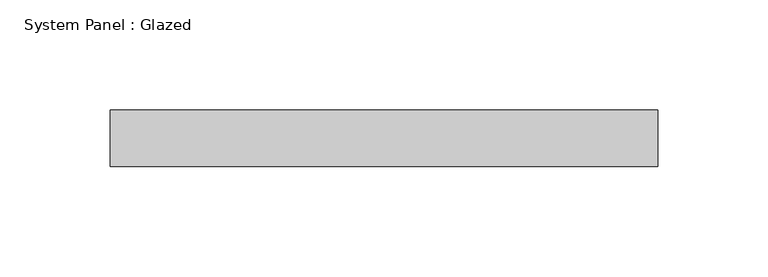
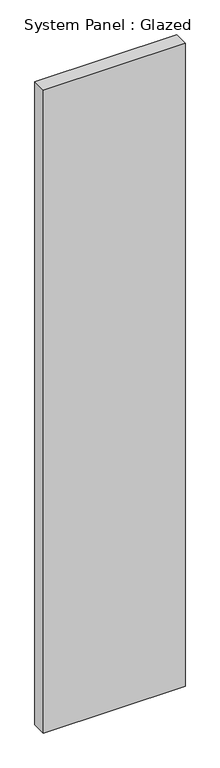
"""IFC4 building model written with IfcOpenShell, lengths in millimetres: plate geometry, System Panel : Glazed."""

import ifcopenshell
import ifcopenshell.guid

model = None  # the IFC model being written
_history = None  # IfcOwnerHistory: only IFC2X3 demands one
_inside = {}  # id of a spatial element -> (the spatial element, [elements in it])
_under = {}  # id of a project, library or spatial element -> (it, [spatial elements below it])
_declared = {}  # id of a project -> (the project, [libraries it declares])
_typed = {}  # id of a type object -> (the type object, [elements of that type])
_made_of = {}  # id of a material, layer set ... -> (it, [elements and type objects made of it])


def new_model(schema):
    """Start an empty IFC model of exactly this schema.

    Asked for "IFC4X3", IfcOpenShell would pick the latest addendum, in which some entities
    have other attributes; the version numbers below select the first issue.
    IFC2X3 requires an IfcOwnerHistory on every rooted entity: one is made here for all.
    """
    global model, _history
    if schema == "IFC4X3":
        model = ifcopenshell.file(schema_version=(4, 3, 0, 0))
    else:
        model = ifcopenshell.file(schema=schema)
    _inside.clear()
    _under.clear()
    _declared.clear()
    _typed.clear()
    _made_of.clear()
    _history = None
    if model.schema == "IFC2X3":
        org = make("IfcOrganization", Name="unknown")
        user = make(
            "IfcPersonAndOrganization",
            ThePerson=make("IfcPerson", FamilyName="unknown"),
            TheOrganization=org,
        )
        app = make(
            "IfcApplication",
            ApplicationDeveloper=org,
            Version="unknown",
            ApplicationFullName="unknown",
            ApplicationIdentifier="unknown",
        )
        _history = make(
            "IfcOwnerHistory",
            OwningUser=user,
            OwningApplication=app,
            ChangeAction="ADDED",
            CreationDate=0,
        )
    return model


def make(cls, **values):
    """One entity of the class cls with the attributes given. An attribute that is None is left unset."""
    return model.create_entity(
        cls, **{name: value for name, value in values.items() if value is not None}
    )


def rooted(cls, **values):
    """An entity with a GlobalId (a new one), such as an element, a storey or a relation."""
    return make(cls, GlobalId=ifcopenshell.guid.new(), OwnerHistory=_history, **values)


def si_unit(unit_type, name, prefix=None):
    """IfcSIUnit, for example si_unit("LENGTHUNIT", "METRE", prefix="MILLI")."""
    return make("IfcSIUnit", UnitType=unit_type, Prefix=prefix, Name=name)


def assignment(units):
    """IfcUnitAssignment: the units of a project."""
    return None if units is None else make("IfcUnitAssignment", Units=units)


def point(xyz):
    """IfcCartesianPoint."""
    return None if xyz is None else make("IfcCartesianPoint", Coordinates=xyz)


def direction(xyz):
    """IfcDirection."""
    return None if xyz is None else make("IfcDirection", DirectionRatios=xyz)


def frame(location, z_axis=None, x_axis=None):
    """IfcAxis2Placement3D, a coordinate frame: its origin and axes. An axis left out is left unset."""
    return make(
        "IfcAxis2Placement3D",
        Location=point(location),
        Axis=direction(z_axis),
        RefDirection=direction(x_axis),
    )


def origin():
    """The frame at (0, 0, 0) with its axes left unset."""
    return frame((0.0, 0.0, 0.0))


def origin_with_axes():
    """The frame at (0, 0, 0) with the z axis (0, 0, 1) and the x axis (1, 0, 0) written out."""
    return frame((0.0, 0.0, 0.0), z_axis=(0.0, 0.0, 1.0), x_axis=(1.0, 0.0, 0.0))


def place(relative_to, where):
    """IfcLocalPlacement: puts the frame where relative to a parent placement (None: the world)."""
    return make(
        "IfcLocalPlacement", PlacementRelTo=relative_to, RelativePlacement=where
    )


def context(
    kind, dimensions, precision=None, world=None, true_north=None, identifier=None
):
    """IfcGeometricRepresentationContext, for example the 3D "Model" context."""
    return make(
        "IfcGeometricRepresentationContext",
        ContextIdentifier=identifier,
        ContextType=kind,
        CoordinateSpaceDimension=dimensions,
        Precision=precision,
        WorldCoordinateSystem=world,
        TrueNorth=true_north,
    )


def project(units=None, contexts=None):
    """IfcProject with its units and contexts."""
    return rooted(
        "IfcProject",
        Name="project",
        RepresentationContexts=contexts,
        UnitsInContext=assignment(units),
    )


def spatial(cls, under=None, at=None, **own):
    """A site, building, storey or space (cls), placed at a placement, below another one or the project."""
    s = rooted(cls, ObjectPlacement=at, **own)
    if under is not None:
        _under.setdefault(under.id(), (under, []))[1].append(s)
    return s


def polyline(points):
    """IfcPolyline through the points."""
    return make("IfcPolyline", Points=[point(p) for p in points])


def outline(outer, holes=None, kind="AREA"):
    """IfcArbitraryClosedProfileDef: a profile drawn as a closed curve; with holes, ...WithVoids."""
    if holes is None:
        return make("IfcArbitraryClosedProfileDef", ProfileType=kind, OuterCurve=outer)
    return make(
        "IfcArbitraryProfileDefWithVoids",
        ProfileType=kind,
        OuterCurve=outer,
        InnerCurves=holes,
    )


def extrude(swept, where, along, depth):
    """IfcExtrudedAreaSolid: the profile swept, set in the frame where, extruded along a direction by depth."""
    return make(
        "IfcExtrudedAreaSolid",
        SweptArea=swept,
        Position=where,
        ExtrudedDirection=direction(along),
        Depth=depth,
    )


def shape(context_of_items, identifier, shape_type, items):
    """IfcShapeRepresentation: the items that make up one representation, for example the "Body"."""
    return make(
        "IfcShapeRepresentation",
        ContextOfItems=context_of_items,
        RepresentationIdentifier=identifier,
        RepresentationType=shape_type,
        Items=items,
    )


def source(mapping_origin, context_of_items, identifier, shape_type, items):
    """IfcRepresentationMap: a shape defined once, which mapped items show again and again."""
    return make(
        "IfcRepresentationMap",
        MappingOrigin=mapping_origin,
        MappedRepresentation=shape(context_of_items, identifier, shape_type, items),
    )


def transform(
    local_origin,
    x_axis=None,
    y_axis=None,
    z_axis=None,
    scale=None,
    scale2=None,
    scale3=None,
    uniform=True,
):
    """IfcCartesianTransformationOperator3D, or its non-uniform kind. x_axis, y_axis, z_axis: its Axis1, 2, 3."""
    if uniform:
        return make(
            "IfcCartesianTransformationOperator3D",
            Axis1=direction(x_axis),
            Axis2=direction(y_axis),
            LocalOrigin=point(local_origin),
            Scale=scale,
            Axis3=direction(z_axis),
        )
    return make(
        "IfcCartesianTransformationOperator3DnonUniform",
        Axis1=direction(x_axis),
        Axis2=direction(y_axis),
        LocalOrigin=point(local_origin),
        Scale=scale,
        Axis3=direction(z_axis),
        Scale2=scale2,
        Scale3=scale3,
    )


def mapped(mapping_source, mapping_target):
    """IfcMappedItem: shows the shape of a source again, moved by a transform."""
    return make(
        "IfcMappedItem", MappingSource=mapping_source, MappingTarget=mapping_target
    )


def made_of(thing, what):
    """Note that an element or type object is made of a material, layer set ...; save() writes the relation."""
    if what is not None:
        _made_of.setdefault(what.id(), (what, []))[1].append(thing)
    return thing


def element(
    cls,
    number,
    at=None,
    inside=None,
    cuts=None,
    type_object=None,
    material=None,
    context=None,
    identifier="Body",
    shape_type=None,
    held_by="IfcProductDefinitionShape",
    body=None,
    shapes=None,
    **own,
):
    """One element of the class cls, such as IfcWall. Its Tag is "e" and its number.

    at: its placement. inside: the storey or other place that contains it. cuts: it is an
    opening in that element (IfcRelVoidsElement). A single representation is given by context,
    identifier, shape_type and body (its items); several are given by shapes. held_by: the class
    of the entity that holds the representations. save() writes the other relations.
    """
    e = rooted(cls, Tag="e%d" % number, ObjectPlacement=at, **own)
    if body is not None:
        shapes = [shape(context, identifier, shape_type, body)]
    if shapes is not None:
        e.Representation = make(held_by, Representations=shapes)
    if inside is not None:
        _inside.setdefault(inside.id(), (inside, []))[1].append(e)
    if cuts is not None:
        rooted(
            "IfcRelVoidsElement", RelatingBuildingElement=cuts, RelatedOpeningElement=e
        )
    if type_object is not None:
        _typed.setdefault(type_object.id(), (type_object, []))[1].append(e)
    return made_of(e, material)


def aggregate(whole, parts):
    """IfcRelAggregates: a whole, such as a stair, and the parts it consists of."""
    return rooted("IfcRelAggregates", RelatingObject=whole, RelatedObjects=parts)


def save(model, path):
    """Write the relations noted so far, then the file.

    IfcRelAggregates (storeys below a building ...), IfcRelContainedInSpatialStructure (elements
    in a storey), IfcRelDefinesByType, IfcRelAssociatesMaterial and IfcRelDeclares: one each for
    every whole, place, type object, material and project.
    """
    for whole, parts in _under.values():
        aggregate(whole, parts)
    for where, things in _inside.values():
        rooted(
            "IfcRelContainedInSpatialStructure",
            RelatedElements=things,
            RelatingStructure=where,
        )
    for kind, things in _typed.values():
        rooted("IfcRelDefinesByType", RelatedObjects=things, RelatingType=kind)
    for what, things in _made_of.values():
        rooted("IfcRelAssociatesMaterial", RelatedObjects=things, RelatingMaterial=what)
    for by, libraries in _declared.values():
        rooted("IfcRelDeclares", RelatingContext=by, RelatedDefinitions=libraries)
    model.write(path)


def system_panel_glazed_d54cc88e(model_context):
    return source(origin(), model_context, "Body", "SweptSolid", [
        extrude(outline(polyline([(123.825, -12.7), (-123.825, -12.7), (-123.825, 12.7), (123.825, 12.7), (123.825, -12.7)])), origin_with_axes(), (0.0, 0.0, 1.0), 1187.45),
    ])


if __name__ == "__main__":
    model = new_model("IFC4")
    model_context = context("Model", 3, world=origin())
    ifc_project = project(units=[si_unit("LENGTHUNIT", "METRE", prefix="MILLI")], contexts=[model_context])
    site = spatial("IfcSite", under=ifc_project)
    building = spatial("IfcBuilding", under=site)
    placement = place(None, origin())
    system_panel_glazed_shape = system_panel_glazed_d54cc88e(model_context)
    element("IfcPlate", 1, ObjectType="System Panel : Glazed", at=placement, inside=building, context=model_context, shape_type="MappedRepresentation", body=[
        mapped(system_panel_glazed_shape, transform((0.0, 0.0, 0.0), x_axis=(1.0, 0.0, 0.0), y_axis=(0.0, 1.0, 0.0), z_axis=(0.0, 0.0, 1.0))),
    ])
    save(model, "model.ifc")
